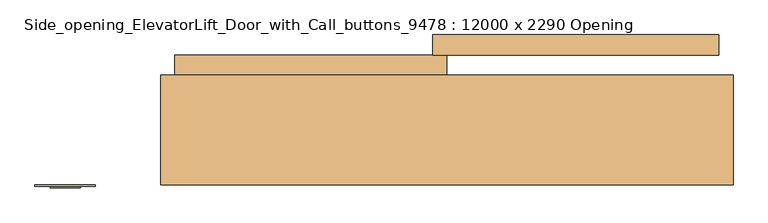
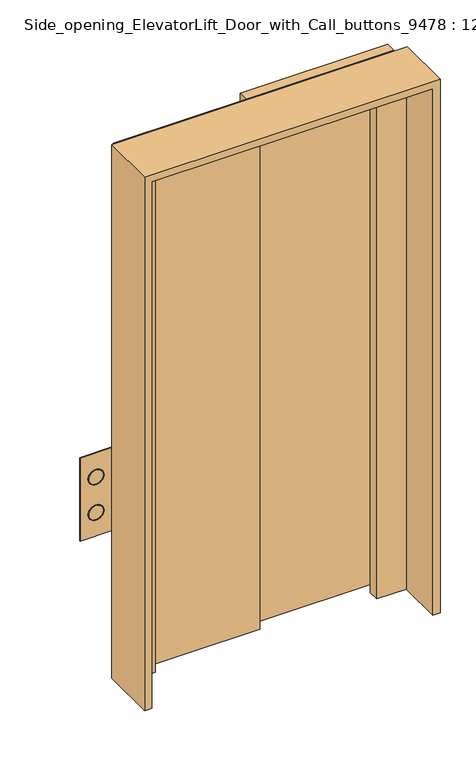
"""IFC4 building model written with IfcOpenShell, lengths in millimetres: door geometry, Side_opening_ElevatorLift_Door_with_Call_buttons_9478 : 12000 x 2290 Opening."""

import ifcopenshell
import ifcopenshell.guid

model = None  # the IFC model being written
_history = None  # IfcOwnerHistory: only IFC2X3 demands one
_inside = {}  # id of a spatial element -> (the spatial element, [elements in it])
_under = {}  # id of a project, library or spatial element -> (it, [spatial elements below it])
_declared = {}  # id of a project -> (the project, [libraries it declares])
_typed = {}  # id of a type object -> (the type object, [elements of that type])
_made_of = {}  # id of a material, layer set ... -> (it, [elements and type objects made of it])


def new_model(schema):
    """Start an empty IFC model of exactly this schema.

    Asked for "IFC4X3", IfcOpenShell would pick the latest addendum, in which some entities
    have other attributes; the version numbers below select the first issue.
    IFC2X3 requires an IfcOwnerHistory on every rooted entity: one is made here for all.
    """
    global model, _history
    if schema == "IFC4X3":
        model = ifcopenshell.file(schema_version=(4, 3, 0, 0))
    else:
        model = ifcopenshell.file(schema=schema)
    _inside.clear()
    _under.clear()
    _declared.clear()
    _typed.clear()
    _made_of.clear()
    _history = None
    if model.schema == "IFC2X3":
        org = make("IfcOrganization", Name="unknown")
        user = make(
            "IfcPersonAndOrganization",
            ThePerson=make("IfcPerson", FamilyName="unknown"),
            TheOrganization=org,
        )
        app = make(
            "IfcApplication",
            ApplicationDeveloper=org,
            Version="unknown",
            ApplicationFullName="unknown",
            ApplicationIdentifier="unknown",
        )
        _history = make(
            "IfcOwnerHistory",
            OwningUser=user,
            OwningApplication=app,
            ChangeAction="ADDED",
            CreationDate=0,
        )
    return model


def make(cls, **values):
    """One entity of the class cls with the attributes given. An attribute that is None is left unset."""
    return model.create_entity(
        cls, **{name: value for name, value in values.items() if value is not None}
    )


def rooted(cls, **values):
    """An entity with a GlobalId (a new one), such as an element, a storey or a relation."""
    return make(cls, GlobalId=ifcopenshell.guid.new(), OwnerHistory=_history, **values)


def si_unit(unit_type, name, prefix=None):
    """IfcSIUnit, for example si_unit("LENGTHUNIT", "METRE", prefix="MILLI")."""
    return make("IfcSIUnit", UnitType=unit_type, Prefix=prefix, Name=name)


def assignment(units):
    """IfcUnitAssignment: the units of a project."""
    return None if units is None else make("IfcUnitAssignment", Units=units)


def point(xyz):
    """IfcCartesianPoint."""
    return None if xyz is None else make("IfcCartesianPoint", Coordinates=xyz)


def direction(xyz):
    """IfcDirection."""
    return None if xyz is None else make("IfcDirection", DirectionRatios=xyz)


def frame(location, z_axis=None, x_axis=None):
    """IfcAxis2Placement3D, a coordinate frame: its origin and axes. An axis left out is left unset."""
    return make(
        "IfcAxis2Placement3D",
        Location=point(location),
        Axis=direction(z_axis),
        RefDirection=direction(x_axis),
    )


def frame_2d(location, x_axis=None):
    """IfcAxis2Placement2D, a coordinate frame in the plane: its origin and x axis."""
    return make(
        "IfcAxis2Placement2D", Location=point(location), RefDirection=direction(x_axis)
    )


def origin():
    """The frame at (0, 0, 0) with its axes left unset."""
    return frame((0.0, 0.0, 0.0))


def origin_with_axes():
    """The frame at (0, 0, 0) with the z axis (0, 0, 1) and the x axis (1, 0, 0) written out."""
    return frame((0.0, 0.0, 0.0), z_axis=(0.0, 0.0, 1.0), x_axis=(1.0, 0.0, 0.0))


def place(relative_to, where):
    """IfcLocalPlacement: puts the frame where relative to a parent placement (None: the world)."""
    return make(
        "IfcLocalPlacement", PlacementRelTo=relative_to, RelativePlacement=where
    )


def context(
    kind, dimensions, precision=None, world=None, true_north=None, identifier=None
):
    """IfcGeometricRepresentationContext, for example the 3D "Model" context."""
    return make(
        "IfcGeometricRepresentationContext",
        ContextIdentifier=identifier,
        ContextType=kind,
        CoordinateSpaceDimension=dimensions,
        Precision=precision,
        WorldCoordinateSystem=world,
        TrueNorth=true_north,
    )


def project(units=None, contexts=None):
    """IfcProject with its units and contexts."""
    return rooted(
        "IfcProject",
        Name="project",
        RepresentationContexts=contexts,
        UnitsInContext=assignment(units),
    )


def spatial(cls, under=None, at=None, **own):
    """A site, building, storey or space (cls), placed at a placement, below another one or the project."""
    s = rooted(cls, ObjectPlacement=at, **own)
    if under is not None:
        _under.setdefault(under.id(), (under, []))[1].append(s)
    return s


def polyline(points):
    """IfcPolyline through the points."""
    return make("IfcPolyline", Points=[point(p) for p in points])


def circle_curve(where, radius):
    """IfcCircle in the frame where."""
    return make("IfcCircle", Position=where, Radius=radius)


def trimmed(basis, trim1, trim2, sense, master):
    """IfcTrimmedCurve: the piece of a basis curve between two trims."""
    return make(
        "IfcTrimmedCurve",
        BasisCurve=basis,
        Trim1=trim1,
        Trim2=trim2,
        SenseAgreement=sense,
        MasterRepresentation=master,
    )


def segment(curve, same_sense, transition):
    """IfcCompositeCurveSegment."""
    return make(
        "IfcCompositeCurveSegment",
        Transition=transition,
        SameSense=same_sense,
        ParentCurve=curve,
    )


def composite_curve(segments, self_intersect=None):
    """IfcCompositeCurve: segments joined end to end."""
    return make("IfcCompositeCurve", Segments=segments, SelfIntersect=self_intersect)


def outline(outer, holes=None, kind="AREA"):
    """IfcArbitraryClosedProfileDef: a profile drawn as a closed curve; with holes, ...WithVoids."""
    if holes is None:
        return make("IfcArbitraryClosedProfileDef", ProfileType=kind, OuterCurve=outer)
    return make(
        "IfcArbitraryProfileDefWithVoids",
        ProfileType=kind,
        OuterCurve=outer,
        InnerCurves=holes,
    )


def extrude(swept, where, along, depth):
    """IfcExtrudedAreaSolid: the profile swept, set in the frame where, extruded along a direction by depth."""
    return make(
        "IfcExtrudedAreaSolid",
        SweptArea=swept,
        Position=where,
        ExtrudedDirection=direction(along),
        Depth=depth,
    )


def faces_of(points, faces, orient=None, outer=None):
    """IfcFace entities. A face is a list of loops; a loop is a list of indices into points, from 0.

    orient and outer hold one flag for each loop. By default every Orientation is true, the
    first loop of a face is its IfcFaceOuterBound and the others are IfcFaceBound.
    """
    made = []
    for i, loops in enumerate(faces):
        bounds = []
        for j, loop in enumerate(loops):
            is_outer = j == 0 if outer is None else outer[i][j]
            bounds.append(
                make(
                    "IfcFaceOuterBound" if is_outer else "IfcFaceBound",
                    Bound=make("IfcPolyLoop", Polygon=[points[k] for k in loop]),
                    Orientation=True if orient is None else orient[i][j],
                )
            )
        made.append(make("IfcFace", Bounds=bounds))
    return made


def faceted_brep(points, faces, orient=None, outer=None, voids=None):
    """IfcFacetedBrep: a solid bounded by flat faces; with voids (closed shells), ...WithVoids."""
    shared = [point(p) for p in points]
    hull = make("IfcClosedShell", CfsFaces=faces_of(shared, faces, orient, outer))
    if voids is None:
        return make("IfcFacetedBrep", Outer=hull)
    return make(
        "IfcFacetedBrepWithVoids",
        Outer=hull,
        Voids=[
            make(cls, CfsFaces=faces_of(shared, fs, o, b)) for cls, fs, o, b in voids
        ],
    )


def shape(context_of_items, identifier, shape_type, items):
    """IfcShapeRepresentation: the items that make up one representation, for example the "Body"."""
    return make(
        "IfcShapeRepresentation",
        ContextOfItems=context_of_items,
        RepresentationIdentifier=identifier,
        RepresentationType=shape_type,
        Items=items,
    )


def source(mapping_origin, context_of_items, identifier, shape_type, items):
    """IfcRepresentationMap: a shape defined once, which mapped items show again and again."""
    return make(
        "IfcRepresentationMap",
        MappingOrigin=mapping_origin,
        MappedRepresentation=shape(context_of_items, identifier, shape_type, items),
    )


def transform(
    local_origin,
    x_axis=None,
    y_axis=None,
    z_axis=None,
    scale=None,
    scale2=None,
    scale3=None,
    uniform=True,
):
    """IfcCartesianTransformationOperator3D, or its non-uniform kind. x_axis, y_axis, z_axis: its Axis1, 2, 3."""
    if uniform:
        return make(
            "IfcCartesianTransformationOperator3D",
            Axis1=direction(x_axis),
            Axis2=direction(y_axis),
            LocalOrigin=point(local_origin),
            Scale=scale,
            Axis3=direction(z_axis),
        )
    return make(
        "IfcCartesianTransformationOperator3DnonUniform",
        Axis1=direction(x_axis),
        Axis2=direction(y_axis),
        LocalOrigin=point(local_origin),
        Scale=scale,
        Axis3=direction(z_axis),
        Scale2=scale2,
        Scale3=scale3,
    )


def mapped(mapping_source, mapping_target):
    """IfcMappedItem: shows the shape of a source again, moved by a transform."""
    return make(
        "IfcMappedItem", MappingSource=mapping_source, MappingTarget=mapping_target
    )


def made_of(thing, what):
    """Note that an element or type object is made of a material, layer set ...; save() writes the relation."""
    if what is not None:
        _made_of.setdefault(what.id(), (what, []))[1].append(thing)
    return thing


def element(
    cls,
    number,
    at=None,
    inside=None,
    cuts=None,
    type_object=None,
    material=None,
    context=None,
    identifier="Body",
    shape_type=None,
    held_by="IfcProductDefinitionShape",
    body=None,
    shapes=None,
    **own,
):
    """One element of the class cls, such as IfcWall. Its Tag is "e" and its number.

    at: its placement. inside: the storey or other place that contains it. cuts: it is an
    opening in that element (IfcRelVoidsElement). A single representation is given by context,
    identifier, shape_type and body (its items); several are given by shapes. held_by: the class
    of the entity that holds the representations. save() writes the other relations.
    """
    e = rooted(cls, Tag="e%d" % number, ObjectPlacement=at, **own)
    if body is not None:
        shapes = [shape(context, identifier, shape_type, body)]
    if shapes is not None:
        e.Representation = make(held_by, Representations=shapes)
    if inside is not None:
        _inside.setdefault(inside.id(), (inside, []))[1].append(e)
    if cuts is not None:
        rooted(
            "IfcRelVoidsElement", RelatingBuildingElement=cuts, RelatedOpeningElement=e
        )
    if type_object is not None:
        _typed.setdefault(type_object.id(), (type_object, []))[1].append(e)
    return made_of(e, material)


def aggregate(whole, parts):
    """IfcRelAggregates: a whole, such as a stair, and the parts it consists of."""
    return rooted("IfcRelAggregates", RelatingObject=whole, RelatedObjects=parts)


def save(model, path):
    """Write the relations noted so far, then the file.

    IfcRelAggregates (storeys below a building ...), IfcRelContainedInSpatialStructure (elements
    in a storey), IfcRelDefinesByType, IfcRelAssociatesMaterial and IfcRelDeclares: one each for
    every whole, place, type object, material and project.
    """
    for whole, parts in _under.values():
        aggregate(whole, parts)
    for where, things in _inside.values():
        rooted(
            "IfcRelContainedInSpatialStructure",
            RelatedElements=things,
            RelatingStructure=where,
        )
    for kind, things in _typed.values():
        rooted("IfcRelDefinesByType", RelatedObjects=things, RelatingType=kind)
    for what, things in _made_of.values():
        rooted("IfcRelAssociatesMaterial", RelatedObjects=things, RelatingMaterial=what)
    for by, libraries in _declared.values():
        rooted("IfcRelDeclares", RelatingContext=by, RelatedDefinitions=libraries)
    model.write(path)


def plane_surface(at):
    """IfcPlane: the flat surface through the origin of the frame at, square to its z axis."""
    return make("IfcPlane", Position=at)


def cylinder_surface(at, radius):
    """IfcCylindricalSurface: all points at the distance radius from the z axis of the frame at."""
    return make("IfcCylindricalSurface", Position=at, Radius=radius)


def revolved_surface(curve, axis_point, axis_direction):
    """IfcSurfaceOfRevolution: the curve turned about the line through axis_point along axis_direction."""
    return make(
        "IfcSurfaceOfRevolution",
        SweptCurve=make("IfcArbitraryOpenProfileDef", ProfileType="CURVE", Curve=curve),
        AxisPosition=make("IfcAxis1Placement", Location=point(axis_point), Axis=direction(axis_direction)),
    )


def advanced_brep(points, edges, surfaces, faces):
    """IfcAdvancedBrep: a solid bounded by faces that lie on surfaces and meet in shared edges.

    An edge is (start, end): straight between two places in points (the first is 0);
    or (start, end, curve); or (start, end, curve, False) where it runs against its curve.
    A face is (place in surfaces, loops), or (place, loops, False) where it looks against
    its surface's normal. A loop lists edges by number (the first is 1), with a minus sign
    where the edge is run from its end to its start. The first loop is the outer one.
    """
    corners = [point(p) for p in points]
    vertices = [make("IfcVertexPoint", VertexGeometry=c) for c in corners]
    made = []
    for start, end, *more in edges:
        made.append(
            make(
                "IfcEdgeCurve",
                EdgeStart=vertices[start],
                EdgeEnd=vertices[end],
                EdgeGeometry=more[0] if more else make("IfcPolyline", Points=[corners[start], corners[end]]),
                SameSense=more[1] if len(more) > 1 else True,
            )
        )
    hull = []
    for where, loops, *sense in faces:
        bounds = []
        for j, loop in enumerate(loops):
            ring = [make("IfcOrientedEdge", EdgeElement=made[abs(k) - 1], Orientation=k > 0) for k in loop]
            bounds.append(
                make(
                    "IfcFaceOuterBound" if j == 0 else "IfcFaceBound",
                    Bound=make("IfcEdgeLoop", EdgeList=ring),
                    Orientation=True,
                )
            )
        hull.append(make("IfcAdvancedFace", Bounds=bounds, FaceSurface=surfaces[where], SameSense=sense[0] if sense else True))
    return make("IfcAdvancedBrep", Outer=make("IfcClosedShell", CfsFaces=hull))


def side_opening_elevatorlift_door_with_call_buttons_9478_12000_64bb0ec5(model_context):
    return source(origin(), model_context, "Body", "SolidModel", [
        advanced_brep(
        [(-831.75, -106.35, 1076.2), (-768.25, -106.35, 1076.2), (-830.1625, -106.35, 1076.2), (-769.8375, -106.35, 1076.2), (-736.5, -100.0, 1177.8), (-736.5, -100.0, 822.2), (-863.5, -100.0, 822.2), (-863.5, -100.0, 1177.8), (-831.75, -103.175, 1076.2), (-768.25, -103.175, 1076.2), (-830.1625, -103.175, 1076.2), (-769.8375, -103.175, 1076.2), (-736.5, -103.175, 1177.8), (-863.5, -103.175, 1177.8), (-863.5, -103.175, 822.2), (-736.5, -103.175, 822.2), (-768.25, -103.175, 923.8), (-831.75, -103.175, 923.8), (-769.8375, -103.175, 923.8), (-830.1625, -103.175, 923.8), (-831.75, -106.35, 923.8), (-768.25, -106.35, 923.8), (-830.1625, -106.35, 923.8), (-769.8375, -106.35, 923.8)],
        [
            (0, 1, circle_curve(frame((-800.0, -106.35, 1076.2), z_axis=(0.0, -1.0, 0.0), x_axis=(1.0, 0.0, 0.0)), 31.75)),
            (1, 0, circle_curve(frame((-800.0, -106.35, 1076.2), z_axis=(0.0, -1.0, 0.0), x_axis=(1.0, 0.0, 0.0)), 31.75)),
            (2, 3, circle_curve(frame((-800.0, -106.35, 1076.2), z_axis=(0.0, 1.0, 0.0), x_axis=(1.0, 0.0, 0.0)), 30.1625)),
            (3, 2, circle_curve(frame((-800.0, -106.35, 1076.2), z_axis=(0.0, 1.0, 0.0), x_axis=(1.0, 0.0, 0.0)), 30.1625)),
            (4, 5),
            (5, 6),
            (6, 7),
            (7, 4),
            (0, 8),
            (8, 9, circle_curve(frame((-800.0, -103.175, 1076.2), z_axis=(0.0, -1.0, 0.0), x_axis=(1.0, 0.0, 0.0)), 31.75)),
            (9, 1),
            (9, 8, circle_curve(frame((-800.0, -103.175, 1076.2), z_axis=(0.0, -1.0, 0.0), x_axis=(1.0, 0.0, 0.0)), 31.75)),
            (2, 10),
            (10, 11, circle_curve(frame((-800.0, -103.175, 1076.2), z_axis=(0.0, 1.0, 0.0), x_axis=(1.0, 0.0, 0.0)), 30.1625)),
            (11, 3),
            (11, 10, circle_curve(frame((-800.0, -103.175, 1076.2), z_axis=(0.0, 1.0, 0.0), x_axis=(1.0, 0.0, 0.0)), 30.1625)),
            (12, 13),
            (13, 14),
            (14, 15),
            (15, 12),
            (16, 17, circle_curve(frame((-800.0, -103.175, 923.8), z_axis=(0.0, 1.0, 0.0), x_axis=(1.0, 0.0, 0.0)), 31.75)),
            (17, 16, circle_curve(frame((-800.0, -103.175, 923.8), z_axis=(0.0, 1.0, 0.0), x_axis=(1.0, 0.0, 0.0)), 31.75)),
            (18, 19, circle_curve(frame((-800.0, -103.175, 923.8), z_axis=(0.0, -1.0, 0.0), x_axis=(1.0, 0.0, 0.0)), 30.1625)),
            (19, 18, circle_curve(frame((-800.0, -103.175, 923.8), z_axis=(0.0, -1.0, 0.0), x_axis=(1.0, 0.0, 0.0)), 30.1625)),
            (12, 4),
            (7, 13),
            (6, 14),
            (5, 15),
            (20, 21, circle_curve(frame((-800.0, -106.35, 923.8), z_axis=(0.0, -1.0, 0.0), x_axis=(1.0, 0.0, 0.0)), 31.75)),
            (21, 20, circle_curve(frame((-800.0, -106.35, 923.8), z_axis=(0.0, -1.0, 0.0), x_axis=(1.0, 0.0, 0.0)), 31.75)),
            (22, 23, circle_curve(frame((-800.0, -106.35, 923.8), z_axis=(0.0, 1.0, 0.0), x_axis=(1.0, 0.0, 0.0)), 30.1625)),
            (23, 22, circle_curve(frame((-800.0, -106.35, 923.8), z_axis=(0.0, 1.0, 0.0), x_axis=(1.0, 0.0, 0.0)), 30.1625)),
            (20, 17),
            (16, 21),
            (22, 19),
            (18, 23),
        ],
        [
            plane_surface(frame((-768.25, -106.35, 1076.2), z_axis=(0.0, -1.0, 0.0), x_axis=(0.0, 0.0, 1.0))),
            plane_surface(frame((-768.25, -100.0, 1076.2), z_axis=(0.0, 1.0, 0.0), x_axis=(0.0, 0.0, -1.0))),
            cylinder_surface(frame((-800.0, -100.0, 1076.2), z_axis=(0.0, -1.0, 0.0), x_axis=(1.0, 0.0, 0.0)), 31.75),
            revolved_surface(polyline([(-769.8375, -103.175, 1076.2), (-769.8375, -106.35, 1076.2)]), (-800.0, -100.0, 1076.2), (0.0, 1.0, 0.0)),
            plane_surface(frame((-863.5, -103.175, 1177.8), z_axis=(0.0, -1.0, 0.0), x_axis=(-1.0, 0.0, 0.0))),
            plane_surface(frame((-736.5, -103.175, 1177.8), z_axis=(0.0, 0.0, 1.0), x_axis=(0.0, 1.0, 0.0))),
            plane_surface(frame((-863.5, -103.175, 1177.8), z_axis=(-1.0, 0.0, 0.0), x_axis=(0.0, 1.0, 0.0))),
            plane_surface(frame((-863.5, -103.175, 822.2), z_axis=(0.0, 0.0, -1.0), x_axis=(0.0, 1.0, 0.0))),
            plane_surface(frame((-736.5, -103.175, 822.2), z_axis=(1.0, 0.0, 0.0), x_axis=(0.0, 1.0, 0.0))),
            plane_surface(frame((-768.25, -106.35, 923.8), z_axis=(0.0, -1.0, 0.0), x_axis=(0.0, 0.0, 1.0))),
            cylinder_surface(frame((-800.0, -100.0, 923.8), z_axis=(0.0, -1.0, 0.0), x_axis=(1.0, 0.0, 0.0)), 31.75),
            revolved_surface(polyline([(-769.8375, -103.175, 923.8), (-769.8375, -106.35, 923.8)]), (-800.0, -100.0, 923.8), (0.0, 1.0, 0.0)),
        ],
        [
            (0, [[1, 2], [3, 4]]),
            (1, [[5, 6, 7, 8]]),
            (2, [[-1, 9, 10, 11]]),
            (2, [[-2, -11, 12, -9]]),
            (3, [[-3, 13, 14, 15]]),
            (3, [[-4, -15, 16, -13]]),
            (4, [[-14, -16]]),
            (4, [[17, 18, 19, 20], [-10, -12], [21, 22]]),
            (4, [[23, 24]]),
            (5, [[-17, 25, -8, 26]]),
            (6, [[-18, -26, -7, 27]]),
            (7, [[-19, -27, -6, 28]]),
            (8, [[-20, -28, -5, -25]]),
            (9, [[29, 30], [31, 32]]),
            (10, [[-29, 33, -21, 34]]),
            (10, [[-30, -34, -22, -33]]),
            (11, [[-31, 35, -23, 36]]),
            (11, [[-32, -36, -24, -35]]),
        ],
    ),
        extrude(outline(composite_curve([segment(trimmed(circle_curve(frame_2d((1076.2, -800.0)), 30.1625), [point((1076.2, -830.1625))], [point((1076.2, -769.8375))], False, "CARTESIAN"), True, "CONTINUOUS"), segment(trimmed(circle_curve(frame_2d((1076.2, -800.0)), 30.1625), [point((1076.2, -769.8375))], [point((1076.2, -830.1625))], False, "CARTESIAN"), True, "CONTINUOUS")], self_intersect=False)), frame((0.0, -104.7625, 0.0), z_axis=(0.0, 1.0, 0.0), x_axis=(0.0, 0.0, 1.0)), (0.0, 0.0, 1.0), 4.7625),
        extrude(outline(composite_curve([segment(trimmed(circle_curve(frame_2d((923.8, -800.0)), 30.1625), [point((923.8, -830.1625))], [point((923.8, -769.8375))], False, "CARTESIAN"), True, "CONTINUOUS"), segment(trimmed(circle_curve(frame_2d((923.8, -800.0)), 30.1625), [point((923.8, -769.8375))], [point((923.8, -830.1625))], False, "CARTESIAN"), True, "CONTINUOUS")], self_intersect=False)), frame((0.0, -104.7625, 0.0), z_axis=(0.0, 1.0, 0.0), x_axis=(0.0, 0.0, 1.0)), (0.0, 0.0, 1.0), 4.7625),
        faceted_brep([(-600.0, -100.0, 0.0), (-600.0, 130.0, 0.0), (-450.0, 130.0, 0.0), (-450.0, 85.0, 0.0), (-570.0, 85.0, 0.0), (-570.0, -100.0, 0.0), (-600.0, -100.0, 2290.0), (-600.0, 130.0, 2290.0), (600.0, 130.0, 2290.0), (600.0, 130.0, 0.0), (450.0, 130.0, 0.0), (450.0, 130.0, 2140.0), (-450.0, 130.0, 2140.0), (-450.0, 85.0, 2140.0), (450.0, 85.0, 2140.0), (450.0, 85.0, 0.0), (570.0, 85.0, 0.0), (570.0, 85.0, 2260.0), (-570.0, 85.0, 2260.0), (-570.0, -100.0, 2260.0), (570.0, -100.0, 2260.0), (570.0, -100.0, 0.0), (600.0, -100.0, 0.0), (600.0, -100.0, 2290.0)], [[[0, 1, 2, 3, 4, 5]], [[1, 0, 6, 7]], [[2, 1, 7, 8, 9, 10, 11, 12]], [[3, 2, 12, 13]], [[4, 3, 13, 14, 15, 16, 17, 18]], [[5, 4, 18, 19]], [[0, 5, 19, 20, 21, 22, 23, 6]], [[8, 23, 22, 9]], [[22, 21, 16, 15, 10, 9]], [[14, 11, 10, 15]], [[20, 17, 16, 21]], [[7, 6, 23, 8]], [[13, 12, 11, 14]], [[19, 18, 17, 20]]]),
        extrude(outline(polyline([(570.0, 215.0), (570.0, 172.5), (-30.0, 172.5), (-30.0, 215.0), (570.0, 215.0)])), origin_with_axes(), (0.0, 0.0, 1.0), 2260.0),
        extrude(outline(polyline([(0.0, 172.5), (0.0, 130.0), (-570.0, 130.0), (-570.0, 172.5), (0.0, 172.5)])), origin_with_axes(), (0.0, 0.0, 1.0), 2260.0),
    ])


if __name__ == "__main__":
    model = new_model("IFC4")
    model_context = context("Model", 3, world=origin())
    ifc_project = project(units=[si_unit("LENGTHUNIT", "METRE", prefix="MILLI")], contexts=[model_context])
    site = spatial("IfcSite", under=ifc_project)
    building = spatial("IfcBuilding", under=site)
    placement = place(None, origin())
    side_opening_elevatorlift_door_with_call_buttons_9478_12000_shape = side_opening_elevatorlift_door_with_call_buttons_9478_12000_64bb0ec5(model_context)
    element("IfcDoor", 1, ObjectType="Side_opening_ElevatorLift_Door_with_Call_buttons_9478 : 12000 x 2290 Opening", at=placement, inside=building, context=model_context, shape_type="MappedRepresentation", body=[
        mapped(side_opening_elevatorlift_door_with_call_buttons_9478_12000_shape, transform((0.0, 0.0, 0.0), x_axis=(1.0, 0.0, 0.0), y_axis=(0.0, 1.0, 0.0), z_axis=(0.0, 0.0, 1.0))),
    ])
    save(model, "model.ifc")
